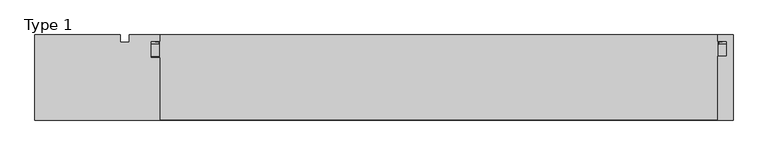
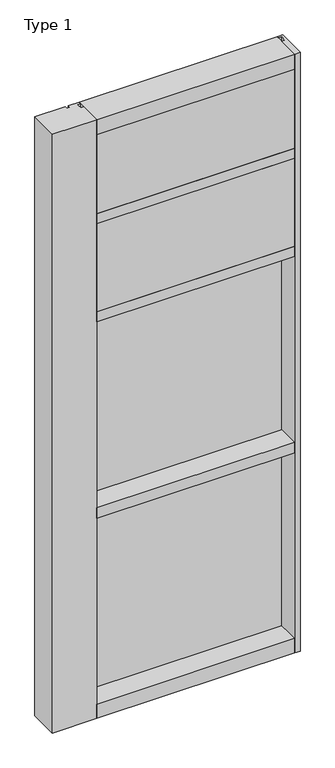
"""IFC4 building model written with IfcOpenShell, lengths in millimetres: plate geometry, Type 1."""

from ifc_helpers import new_model, si_unit, point, frame, frame_2d, origin, place, context, project, spatial, polyline, circle_curve, trimmed, segment, composite_curve, outline, extrude, source, transform, mapped, element, save


def type_1_f4ccb1cd(model_context):
    return source(origin(), model_context, "Body", "SweptSolid", [
        extrude(outline(polyline([(34.0360843, 3579.4782689), (34.0360843, 3568.7272341), (27.686, 3566.9739421), (27.686, 3579.4782689), (34.0360843, 3579.4782689)])), frame((-600.86875, 0.0, 0.0), z_axis=(1.0, 0.0, 0.0), x_axis=(0.0, 1.0, 0.0)), (0.0, 0.0, 1.0), 1201.7375),
        extrude(outline(composite_curve([segment(polyline([(-582.3061962, 27.686), (-583.2727021, 27.686), (-583.3002095, 31.7563748)]), True, "CONTINUOUS"), segment(trimmed(circle_curve(frame_2d((-583.935195, 31.7520836)), 0.635), [point((-583.3002095, 31.7563748))], [point((-583.9001142, 32.3861138))], True, "CARTESIAN"), True, "CONTINUOUS"), segment(polyline([(-583.9001142, 32.3861138), (-590.6554751, 32.7598869)]), True, "CONTINUOUS"), segment(trimmed(circle_curve(frame_2d((-590.4729218, 33.7593519)), 1.016), [point((-590.6554751, 32.7598869))], [point((-591.4505004, 34.0361122))], False, "CARTESIAN"), True, "CONTINUOUS"), segment(polyline([(-591.4505004, 34.0361122), (-581.8952508, 34.0361122), (-582.3061962, 27.686)]), True, "CONTINUOUS")], self_intersect=False)), frame((0.0, 0.0, 3068.9728643), z_axis=(0.0, 0.0, 1.0), x_axis=(1.0, 0.0, 0.0)), (0.0, 0.0, 1.0), 518.7771357),
        extrude(outline(composite_curve([segment(polyline([(582.3061962, 27.686), (581.8952508, 34.0361122), (591.4505004, 34.0361122)]), True, "CONTINUOUS"), segment(trimmed(circle_curve(frame_2d((590.4729218, 33.7593519)), 1.016), [point((591.4505004, 34.0361122))], [point((590.6554751, 32.7598869))], False, "CARTESIAN"), True, "CONTINUOUS"), segment(polyline([(590.6554751, 32.7598869), (583.9001142, 32.3861138)]), True, "CONTINUOUS"), segment(trimmed(circle_curve(frame_2d((583.935195, 31.7520836)), 0.635), [point((583.9001142, 32.3861138))], [point((583.3002095, 31.7563748))], True, "CARTESIAN"), True, "CONTINUOUS"), segment(polyline([(583.3002095, 31.7563748), (583.2727021, 27.686), (582.3061962, 27.686)]), True, "CONTINUOUS")], self_intersect=False)), frame((0.0, 0.0, 3068.9728643), z_axis=(0.0, 0.0, 1.0), x_axis=(1.0, 0.0, 0.0)), (0.0, 0.0, 1.0), 518.7771357),
        extrude(outline(polyline([(34.0361122, 3068.9728643), (27.686, 3068.9728643), (27.686, 3081.4771952), (34.0361122, 3079.7238955), (34.0361122, 3068.9728643)])), frame((-591.4505004, 0.0, 0.0), z_axis=(1.0, 0.0, 0.0), x_axis=(0.0, 1.0, 0.0)), (0.0, 0.0, 1.0), 1182.9010007),
        extrude(outline(polyline([(583.40625, -48.6030703), (581.81875, -131.0159103), (-581.81875, -131.0159103), (-583.40625, -48.6030703), (583.40625, -48.6030703)])), frame((0.0, 0.0, 3079.75), z_axis=(0.0, 0.0, 1.0), x_axis=(1.0, 0.0, 0.0)), (0.0, 0.0, 1.0), 488.95),
        extrude(outline(polyline([(-600.86875, 27.686), (600.86875, 27.686), (600.86875, 2.286), (-600.86875, 2.286), (-600.86875, 27.686)])), frame((0.0, 0.0, 3060.7), z_axis=(0.0, 0.0, 1.0), x_axis=(1.0, 0.0, 0.0)), (0.0, 0.0, 1.0), 527.05),
        extrude(outline(composite_curve([segment(polyline([(34.0360974, 3027.0282838), (34.0360974, 3016.1659828)]), True, "CONTINUOUS"), segment(trimmed(circle_curve(frame_2d((38.5198748, 2991.1648681)), 25.4), [point((34.0360974, 3016.1659828))], [point((27.686, 3014.1384868))], True, "CARTESIAN"), True, "CONTINUOUS"), segment(polyline([(27.686, 3014.1384868), (27.686, 3027.0282838), (34.0360974, 3027.0282838)]), True, "CONTINUOUS")], self_intersect=False)), frame((-600.86875, 0.0, 0.0), z_axis=(1.0, 0.0, 0.0), x_axis=(0.0, 1.0, 0.0)), (0.0, 0.0, 1.0), 1201.7375),
        extrude(outline(composite_curve([segment(polyline([(-581.8952508, 34.0361122), (-582.3061962, 27.686), (-583.2727021, 27.686), (-583.3002095, 31.7563748)]), True, "CONTINUOUS"), segment(trimmed(circle_curve(frame_2d((-583.935195, 31.7520836)), 0.635), [point((-583.3002095, 31.7563748))], [point((-583.9001142, 32.3861138))], True, "CARTESIAN"), True, "CONTINUOUS"), segment(polyline([(-583.9001142, 32.3861138), (-590.6554751, 32.7598869)]), True, "CONTINUOUS"), segment(trimmed(circle_curve(frame_2d((-590.4729218, 33.7593519)), 1.016), [point((-590.6554751, 32.7598869))], [point((-591.4505004, 34.0361122))], False, "CARTESIAN"), True, "CONTINUOUS"), segment(polyline([(-591.4505004, 34.0361122), (-581.8952508, 34.0361122)]), True, "CONTINUOUS")], self_intersect=False)), frame((0.0, 0.0, 2459.3728643), z_axis=(0.0, 0.0, 1.0), x_axis=(1.0, 0.0, 0.0)), (0.0, 0.0, 1.0), 575.9271357),
        extrude(outline(composite_curve([segment(polyline([(582.3061962, 27.686), (581.8952508, 34.0361122), (591.4505004, 34.0361122)]), True, "CONTINUOUS"), segment(trimmed(circle_curve(frame_2d((590.4729218, 33.7593519)), 1.016), [point((591.4505004, 34.0361122))], [point((590.6554751, 32.7598869))], False, "CARTESIAN"), True, "CONTINUOUS"), segment(polyline([(590.6554751, 32.7598869), (583.9001142, 32.3861138)]), True, "CONTINUOUS"), segment(trimmed(circle_curve(frame_2d((583.935195, 31.7520836)), 0.635), [point((583.9001142, 32.3861138))], [point((583.3002095, 31.7563748))], True, "CARTESIAN"), True, "CONTINUOUS"), segment(polyline([(583.3002095, 31.7563748), (583.2727021, 27.686), (582.3061962, 27.686)]), True, "CONTINUOUS")], self_intersect=False)), frame((0.0, 0.0, 2459.3728643), z_axis=(0.0, 0.0, 1.0), x_axis=(1.0, 0.0, 0.0)), (0.0, 0.0, 1.0), 575.9271357),
        extrude(outline(polyline([(34.0361122, 2459.3728643), (27.686, 2459.3728643), (27.686, 2471.8771952), (34.0361122, 2470.1238955), (34.0361122, 2459.3728643)])), frame((-591.4505004, 0.0, 0.0), z_axis=(1.0, 0.0, 0.0), x_axis=(0.0, 1.0, 0.0)), (0.0, 0.0, 1.0), 1182.9010007),
        extrude(outline(polyline([(581.81875, -48.514), (581.81875, -131.0159103), (-581.81875, -131.0159103), (-581.81875, -48.514), (581.81875, -48.514)])), frame((0.0, 0.0, 2470.15), z_axis=(0.0, 0.0, 1.0), x_axis=(1.0, 0.0, 0.0)), (0.0, 0.0, 1.0), 546.1),
        extrude(outline(polyline([(600.86875, 27.686), (600.86875, 2.286), (-600.86875, 2.286), (-600.86875, 27.686), (600.86875, 27.686)])), frame((0.0, 0.0, 2451.1), z_axis=(0.0, 0.0, 1.0), x_axis=(1.0, 0.0, 0.0)), (0.0, 0.0, 1.0), 584.2),
        extrude(outline(polyline([(-581.81875, -130.5814), (-842.191931, -130.5814), (-842.191931, 47.2163079), (-664.3690542, 47.2163079), (-664.3690542, 31.3944), (-645.31875, 31.3944), (-645.31875, 47.2186), (-581.81875, 47.2186), (-581.81875, 34.036), (-600.86875, 34.036), (-600.86875, 0.0), (-581.81875, 0.0), (-581.81875, -130.5814)])), frame((0.0, 0.0, -57.15), z_axis=(0.0, 0.0, 1.0), x_axis=(1.0, 0.0, 0.0)), (0.0, 0.0, 1.0), 3721.1),
        extrude(outline(polyline([(613.56875, -130.5814), (581.81875, -130.5814), (581.81875, 2.286), (600.86875, 2.286), (600.86875, 34.036), (581.8176608, 34.036), (581.8176608, 47.2186), (613.56875, 47.2186), (613.56875, -130.5814)])), frame((0.0, 0.0, -57.15), z_axis=(0.0, 0.0, 1.0), x_axis=(1.0, 0.0, 0.0)), (0.0, 0.0, 1.0), 3721.1),
        extrude(outline(polyline([(27.686, 1252.6752684), (34.036, 1250.9219997), (34.036, 1240.1709644), (27.686, 1240.1709644), (27.686, 1252.6752684)])), frame((-591.4516213, 0.0, 0.0), z_axis=(1.0, 0.0, 0.0), x_axis=(0.0, 1.0, 0.0)), (0.0, 0.0, 1.0), 1182.9032427),
        extrude(outline(polyline([(27.6860992, 2417.4309356), (34.0360992, 2417.4309356), (34.0360992, 2406.6798775), (27.6860992, 2404.9266088), (27.6860992, 2417.4309356)])), frame((-591.4516213, 0.0, 0.0), z_axis=(1.0, 0.0, 0.0), x_axis=(0.0, 1.0, 0.0)), (0.0, 0.0, 1.0), 1182.9032427),
        extrude(outline(composite_curve([segment(trimmed(circle_curve(frame_2d((-583.9362842, 31.7520836)), 0.635), [point((-583.3012987, 31.7563748))], [point((-583.9012034, 32.3861138))], True, "CARTESIAN"), True, "CONTINUOUS"), segment(polyline([(-583.9012034, 32.3861138), (-590.6565643, 32.7598869)]), True, "CONTINUOUS"), segment(trimmed(circle_curve(frame_2d((-590.4740111, 33.7593519)), 1.016), [point((-590.6565643, 32.7598869))], [point((-591.4516213, 34.036))], False, "CARTESIAN"), True, "CONTINUOUS"), segment(polyline([(-591.4516213, 34.036), (-581.8963472, 34.036), (-582.3072854, 27.686), (-583.2737913, 27.686), (-583.3012987, 31.7563748)]), True, "CONTINUOUS")], self_intersect=False)), frame((0.0, 0.0, 1240.1709644), z_axis=(0.0, 0.0, 1.0), x_axis=(1.0, 0.0, 0.0)), (0.0, 0.0, 1.0), 1177.2580861),
        extrude(outline(composite_curve([segment(polyline([(582.3072854, 27.686), (581.8963472, 34.036), (591.4516213, 34.036)]), True, "CONTINUOUS"), segment(trimmed(circle_curve(frame_2d((590.4740111, 33.7593519)), 1.016), [point((591.4516213, 34.036))], [point((590.6565643, 32.7598869))], False, "CARTESIAN"), True, "CONTINUOUS"), segment(polyline([(590.6565643, 32.7598869), (583.9012034, 32.3861138)]), True, "CONTINUOUS"), segment(trimmed(circle_curve(frame_2d((583.9362842, 31.7520836)), 0.635), [point((583.9012034, 32.3861138))], [point((583.3012987, 31.7563748))], True, "CARTESIAN"), True, "CONTINUOUS"), segment(polyline([(583.3012987, 31.7563748), (583.2737913, 27.686), (582.3072854, 27.686)]), True, "CONTINUOUS")], self_intersect=False)), frame((0.0, 0.0, 1240.1709644), z_axis=(0.0, 0.0, 1.0), x_axis=(1.0, 0.0, 0.0)), (0.0, 0.0, 1.0), 1177.2580861),
        extrude(outline(polyline([(600.8698392, 27.686), (600.8698392, 2.286), (-600.8698392, 2.286), (-600.8698392, 27.686), (600.8698392, 27.686)])), frame((0.0, 0.0, 1231.8962001), z_axis=(0.0, 0.0, 1.0), x_axis=(1.0, 0.0, 0.0)), (0.0, 0.0, 1.0), 1193.8037999),
        extrude(outline(polyline([(27.686, 33.4752684), (34.036, 31.7219997), (34.036, 20.9709644), (27.686, 20.9709644), (27.686, 33.4752684)])), frame((-591.4516213, 0.0, 0.0), z_axis=(1.0, 0.0, 0.0), x_axis=(0.0, 1.0, 0.0)), (0.0, 0.0, 1.0), 1182.9032427),
        extrude(outline(polyline([(27.6860992, 1198.2309356), (34.0360992, 1198.2309356), (34.0360992, 1187.4798775), (27.6860992, 1185.7266088), (27.6860992, 1198.2309356)])), frame((-591.4516213, 0.0, 0.0), z_axis=(1.0, 0.0, 0.0), x_axis=(0.0, 1.0, 0.0)), (0.0, 0.0, 1.0), 1182.9032427),
        extrude(outline(composite_curve([segment(trimmed(circle_curve(frame_2d((-583.9362842, 31.7520836)), 0.635), [point((-583.3012987, 31.7563748))], [point((-583.9012034, 32.3861138))], True, "CARTESIAN"), True, "CONTINUOUS"), segment(polyline([(-583.9012034, 32.3861138), (-590.6565643, 32.7598869)]), True, "CONTINUOUS"), segment(trimmed(circle_curve(frame_2d((-590.4740111, 33.7593519)), 1.016), [point((-590.6565643, 32.7598869))], [point((-591.4516213, 34.036))], False, "CARTESIAN"), True, "CONTINUOUS"), segment(polyline([(-591.4516213, 34.036), (-581.8963472, 34.036), (-582.3072854, 27.686), (-583.2737913, 27.686), (-583.3012987, 31.7563748)]), True, "CONTINUOUS")], self_intersect=False)), frame((0.0, 0.0, 20.9709644), z_axis=(0.0, 0.0, 1.0), x_axis=(1.0, 0.0, 0.0)), (0.0, 0.0, 1.0), 1177.2580861),
        extrude(outline(composite_curve([segment(polyline([(582.3072854, 27.686), (581.8963472, 34.036), (591.4516213, 34.036)]), True, "CONTINUOUS"), segment(trimmed(circle_curve(frame_2d((590.4740111, 33.7593519)), 1.016), [point((591.4516213, 34.036))], [point((590.6565643, 32.7598869))], False, "CARTESIAN"), True, "CONTINUOUS"), segment(polyline([(590.6565643, 32.7598869), (583.9012034, 32.3861138)]), True, "CONTINUOUS"), segment(trimmed(circle_curve(frame_2d((583.9362842, 31.7520836)), 0.635), [point((583.9012034, 32.3861138))], [point((583.3012987, 31.7563748))], True, "CARTESIAN"), True, "CONTINUOUS"), segment(polyline([(583.3012987, 31.7563748), (583.2737913, 27.686), (582.3072854, 27.686)]), True, "CONTINUOUS")], self_intersect=False)), frame((0.0, 0.0, 20.9709644), z_axis=(0.0, 0.0, 1.0), x_axis=(1.0, 0.0, 0.0)), (0.0, 0.0, 1.0), 1177.2580861),
        extrude(outline(polyline([(600.8698392, 27.686), (600.8698392, 2.286), (-600.8698392, 2.286), (-600.8698392, 27.686), (600.8698392, 27.686)])), frame((0.0, 0.0, 12.6962001), z_axis=(0.0, 0.0, 1.0), x_axis=(1.0, 0.0, 0.0)), (0.0, 0.0, 1.0), 1193.8037999),
        extrude(outline(polyline([(0.0, 3079.75), (0.0, 3060.7), (34.13125, 3060.7), (34.13125, 3079.7462001), (46.83125, 3079.7462001), (46.83125, 3016.2462001), (34.13125, 3016.2462001), (34.13125, 3035.3), (0.0, 3035.3), (0.0, 3016.25), (-130.175, 3016.25), (-130.175, 3079.75), (0.0, 3079.75)])), frame((-581.81875, 0.0, 0.0), z_axis=(1.0, 0.0, 0.0), x_axis=(0.0, 1.0, 0.0)), (0.0, 0.0, 1.0), 1163.6375),
        extrude(outline(polyline([(0.0, 2470.15), (0.0, 2451.1), (34.13125, 2451.1), (34.13125, 2470.1462001), (46.83125, 2470.1462001), (46.83125, 2406.6462001), (34.13125, 2406.6462001), (34.13125, 2425.7), (0.0, 2425.7), (0.0, 2406.65), (-130.175, 2406.65), (-130.175, 2470.15), (0.0, 2470.15)])), frame((-581.81875, 0.0, 0.0), z_axis=(1.0, 0.0, 0.0), x_axis=(0.0, 1.0, 0.0)), (0.0, 0.0, 1.0), 1163.6375),
        extrude(outline(polyline([(47.2186297, 3663.95), (47.2186297, 3568.7), (34.13125, 3568.7), (34.13125, 3587.75), (0.0, 3587.75), (0.0, 3568.7), (-130.175, 3568.7), (-130.175, 3663.95), (47.2186297, 3663.95)])), frame((-581.81875, 0.0, 0.0), z_axis=(1.0, 0.0, 0.0), x_axis=(0.0, 1.0, 0.0)), (0.0, 0.0, 1.0), 1163.6375),
        extrude(outline(polyline([(0.0, 1250.95), (0.0, 1231.9), (34.13125, 1231.9), (34.13125, 1250.9462001), (46.83125, 1250.9462001), (46.83125, 1187.4462001), (34.13125, 1187.4462001), (34.13125, 1206.5), (0.0, 1206.5), (0.0, 1187.45), (-130.175, 1187.45), (-130.175, 1250.95), (0.0, 1250.95)])), frame((-581.81875, 0.0, 0.0), z_axis=(1.0, 0.0, 0.0), x_axis=(0.0, 1.0, 0.0)), (0.0, 0.0, 1.0), 1163.6375),
        extrude(outline(polyline([(0.0, 31.75), (0.0, 12.7), (34.13125, 12.7), (34.13125, 31.751832), (47.2186148, 31.751832), (47.2186148, -57.15), (-130.175, -57.15), (-130.175, 31.75), (0.0, 31.75)])), frame((-581.81875, 0.0, 0.0), z_axis=(1.0, 0.0, 0.0), x_axis=(0.0, 1.0, 0.0)), (0.0, 0.0, 1.0), 1163.6375),
    ])


if __name__ == "__main__":
    model = new_model("IFC4")
    model_context = context("Model", 3, world=origin())
    ifc_project = project(units=[si_unit("LENGTHUNIT", "METRE", prefix="MILLI")], contexts=[model_context])
    site = spatial("IfcSite", under=ifc_project)
    building = spatial("IfcBuilding", under=site)
    placement = place(None, origin())
    type_1_shape = type_1_f4ccb1cd(model_context)
    element("IfcPlate", 1, ObjectType="Type 1", at=placement, inside=building, context=model_context, shape_type="MappedRepresentation", body=[
        mapped(type_1_shape, transform((0.0, 0.0, 0.0), x_axis=(1.0, 0.0, 0.0), y_axis=(0.0, 1.0, 0.0), z_axis=(0.0, 0.0, 1.0))),
    ])
    save(model, "model.ifc")
